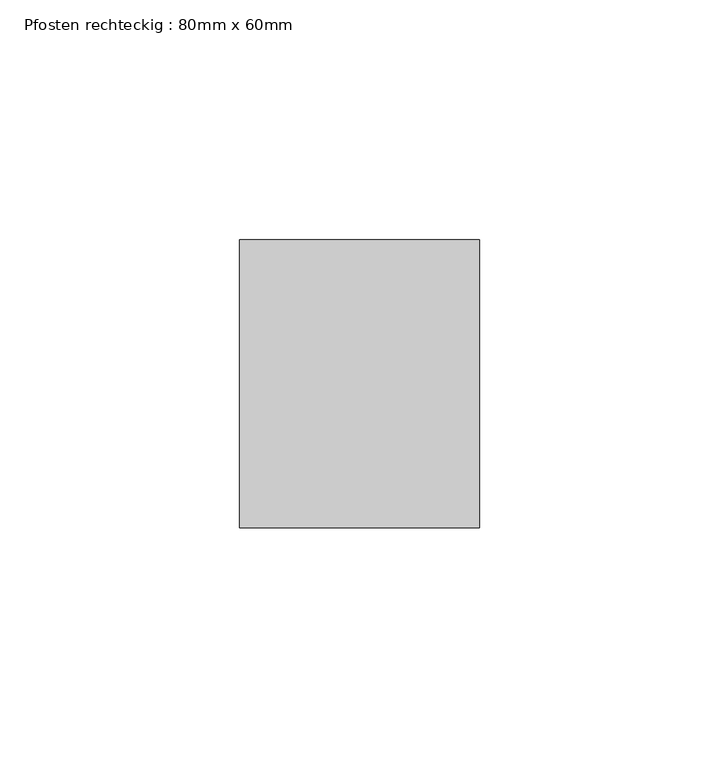
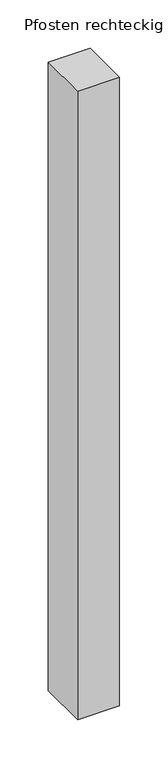
"""IFC4 building model written with IfcOpenShell, lengths in millimetres: member geometry, Pfosten rechteckig : 80mm x 60mm."""

from ifc_helpers import new_model, si_unit, frame, origin, place, context, project, spatial, polyline, outline, extrude, source, transform, mapped, element, save


def pfosten_rechteckig_80mm_x_60mm_67247547(model_context):
    return source(origin(), model_context, "Body", "SweptSolid", [
        extrude(outline(polyline([(0.0, 30.0), (0.0, -30.0), (-50.0, -30.0), (-50.0, 30.0), (0.0, 30.0)])), frame((0.0, 0.0, -791.6666667), z_axis=(0.0, 0.0, 1.0), x_axis=(1.0, 0.0, 0.0)), (0.0, 0.0, 1.0), 791.6666667),
    ])


if __name__ == "__main__":
    model = new_model("IFC4")
    model_context = context("Model", 3, world=origin())
    ifc_project = project(units=[si_unit("LENGTHUNIT", "METRE", prefix="MILLI")], contexts=[model_context])
    site = spatial("IfcSite", under=ifc_project)
    building = spatial("IfcBuilding", under=site)
    placement = place(None, origin())
    pfosten_rechteckig_80mm_x_60mm_shape = pfosten_rechteckig_80mm_x_60mm_67247547(model_context)
    element("IfcMember", 1, ObjectType="Pfosten rechteckig : 80mm x 60mm", at=placement, inside=building, context=model_context, shape_type="MappedRepresentation", body=[
        mapped(pfosten_rechteckig_80mm_x_60mm_shape, transform((0.0, 0.0, 0.0), x_axis=(1.0, 0.0, 0.0), y_axis=(0.0, 1.0, 0.0), z_axis=(0.0, 0.0, 1.0))),
    ])
    save(model, "model.ifc")
